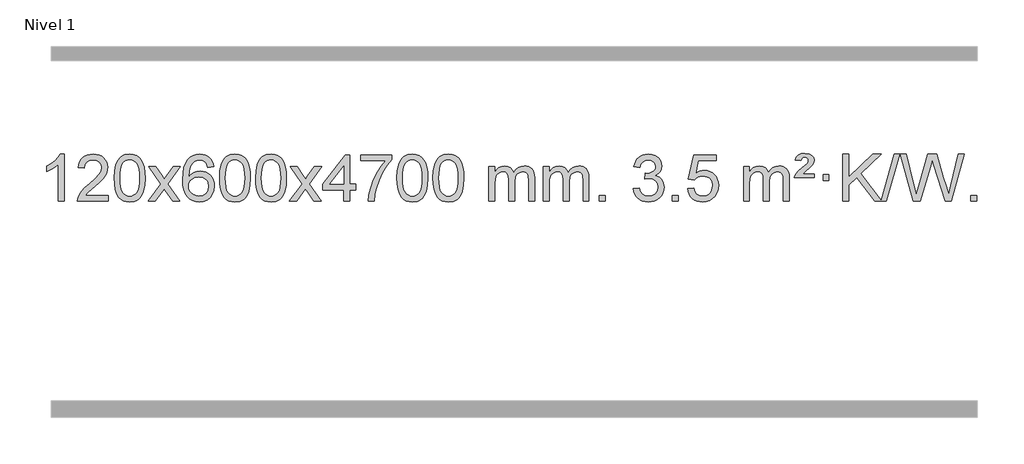
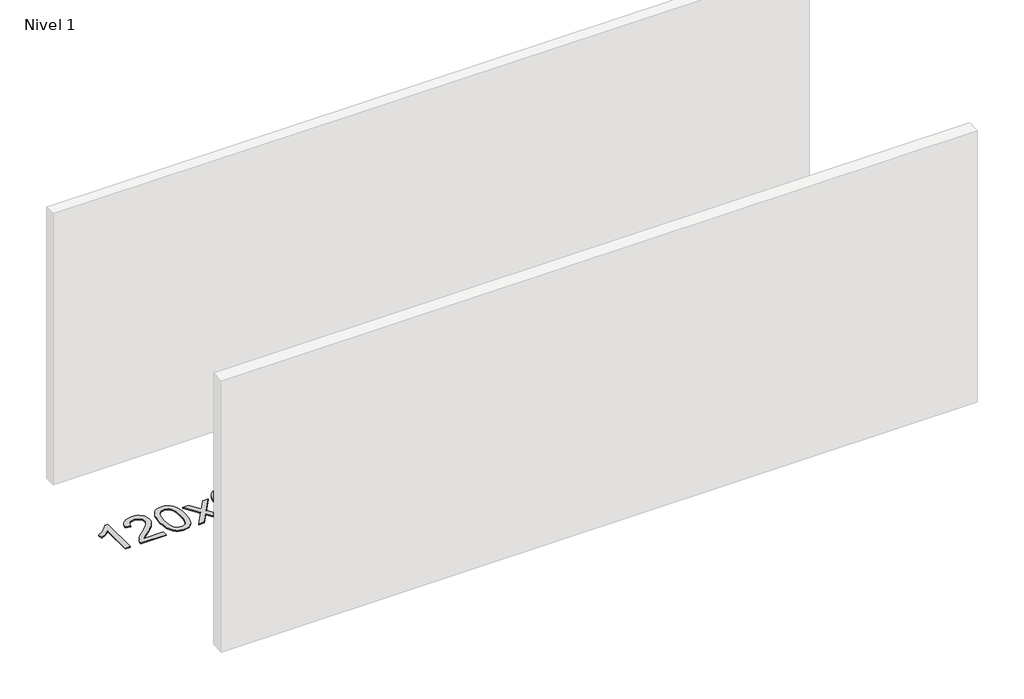
# One storey, part 3 of 16: 1 proxy.
"""IFC4 building model written with IfcOpenShell, lengths in millimetres."""

from ifc_helpers import new_model, si_unit, origin, origin_with_axes, place, context, project, spatial, polyline, outline, extrude, element, save

model = new_model("IFC4")

# Units and contexts
model_context = context("Model", 3, world=origin())
ifc_project = project(units=[si_unit("LENGTHUNIT", "METRE", prefix="MILLI")], contexts=[model_context])

# Site, building, storey
site = spatial("IfcSite", under=ifc_project)
building = spatial("IfcBuilding", under=site)
storey = spatial("IfcBuildingStorey", under=building, Name="Nivel 1", Elevation=0.0)

# Proxy
placement = place(None, origin())
element("IfcBuildingElementProxy", 1, Name="Texto de modelo 1", ObjectType="Texto de modelo 1", at=placement, inside=storey, context=model_context, shape_type="SweptSolid", body=[
    extrude(outline(polyline([(-12921.6378538, -12420.579453), (-12971.8660089, -12420.579453), (-12971.8660089, -12107.4382987), (-12992.8352826, -12124.3976587), (-13019.4454136, -12141.3324932), (-13072.3223191, -12166.6918254), (-13072.3223191, -12119.2105225), (-13032.8731065, -12097.7507395), (-12998.6968691, -12072.219729), (-12971.7556443, -12045.0700378), (-12954.0114694, -12018.7542124), (-12921.6378538, -12018.7542124), (-12921.6378538, -12420.579453)])), origin_with_axes(), (0.0, 0.0, 1.0), 10.0),
    extrude(outline(polyline([(-12544.9266908, -12370.3512979), (-12544.9266908, -12420.579453), (-12808.6245049, -12420.579453), (-12807.5208589, -12402.8965918), (-12803.2289023, -12385.9494945), (-12790.8435418, -12358.8856424), (-12772.7192222, -12332.6311307), (-12746.5014987, -12305.1503456), (-12709.8359265, -12274.4076736), (-12655.6346459, -12226.2641831), (-12623.1138775, -12190.7267824), (-12606.8534933, -12161.884834), (-12601.4333652, -12133.8277005), (-12606.546925, -12108.6768347), (-12621.8876042, -12087.7688747), (-12645.4688401, -12073.6789943), (-12675.3040699, -12068.9823675), (-12706.6353531, -12073.5686297), (-12730.9768785, -12087.3274163), (-12746.6854397, -12109.1796068), (-12752.1178305, -12138.0460807), (-12802.3459855, -12131.7675613), (-12798.0264378, -12105.838012), (-12790.1690915, -12083.1826125), (-12778.7739467, -12063.8013627), (-12763.8410034, -12047.6942627), (-12745.7136181, -12035.0329907), (-12724.7351473, -12025.989225), (-12700.9055911, -12020.5629655), (-12674.2249494, -12018.7542124), (-12647.3051844, -12020.7653006), (-12623.3468694, -12026.7985654), (-12602.3500046, -12036.8540066), (-12584.3145897, -12050.9316242), (-12569.8292362, -12067.9890861), (-12559.4825551, -12086.9840598), (-12553.2745464, -12107.9165453), (-12551.2052102, -12130.7865427), (-12553.4370276, -12154.8092369), (-12560.1324799, -12178.4149983), (-12572.0150684, -12202.4254299), (-12589.8082942, -12227.6621347), (-12618.171996, -12257.7916701), (-12661.7660125, -12296.4805933), (-12719.5480112, -12344.795762), (-12742.2095421, -12370.3512979), (-12544.9266908, -12370.3512979)])), origin_with_axes(), (0.0, 0.0, 1.0), 10.0),
    extrude(outline(polyline([(-12494.6985357, -12222.9041943), (-12491.007453, -12158.5861588), (-12479.934205, -12107.2911459), (-12461.5891561, -12068.2343407), (-12449.7310932, -12053.0009605), (-12436.0826711, -12040.6309284), (-12420.5979048, -12031.0598651), (-12403.230809, -12024.2233914), (-12362.8496286, -12018.7542124), (-12331.8984901, -12021.991574), (-12304.1847131, -12031.7036586), (-12281.0081474, -12047.5103217), (-12263.6686427, -12069.0314184), (-12250.5720437, -12096.0830078), (-12240.1241951, -12128.4811488), (-12233.2815899, -12169.6226186), (-12231.0007216, -12222.9041943), (-12234.6550161, -12286.8543477), (-12245.6178995, -12338.0267333), (-12263.8525837, -12377.1203266), (-12275.6830556, -12392.3996922), (-12289.3222805, -12404.8341036), (-12304.825441, -12414.4695462), (-12322.2477191, -12421.3520052), (-12362.8496286, -12426.8579724), (-12390.5143547, -12424.4667394), (-12415.039821, -12417.2930405), (-12436.4260277, -12405.3368757), (-12454.6729746, -12388.5982449), (-12472.1841576, -12358.3399508), (-12484.6921454, -12320.6381776), (-12492.1969381, -12275.4929255), (-12494.6985357, -12222.9041943)]), holes=[polyline([(-12444.4703806, -12222.8060924), (-12442.9988527, -12266.4706195), (-12438.5842687, -12301.8148822), (-12431.2266288, -12328.8388804), (-12420.9259329, -12347.5426142), (-12408.466996, -12360.2682656), (-12394.634633, -12369.3580165), (-12379.4288439, -12374.8118671), (-12362.8496286, -12376.6298173), (-12346.2704134, -12374.8057357), (-12331.0646243, -12369.3334911), (-12317.2322612, -12360.2130833), (-12304.7733243, -12347.4445124), (-12294.4726285, -12328.7101217), (-12287.1149886, -12301.6922549), (-12282.7004046, -12266.3909118), (-12281.2288766, -12222.8060924), (-12282.6513537, -12180.2973278), (-12286.9187848, -12145.5753989), (-12294.0311701, -12118.6403055), (-12303.9885094, -12099.4920476), (-12316.2389799, -12086.1440625), (-12330.2307584, -12076.6097875), (-12345.9638451, -12070.8892225), (-12363.4382398, -12068.9823675), (-12379.931616, -12070.6623619), (-12394.8798877, -12075.7023452), (-12408.283055, -12084.1023175), (-12420.141118, -12095.8622786), (-12430.7851704, -12116.708925), (-12438.388065, -12144.8151094), (-12442.9498017, -12180.1808319), (-12444.4703806, -12222.8060924)])]), origin_with_axes(), (0.0, 0.0, 1.0), 10.0),
    extrude(outline(polyline([(-12205.886644, -12420.579453), (-12098.5632033, -12272.2494325), (-12199.6081246, -12125.4890419), (-12139.1773756, -12125.4890419), (-12090.4207485, -12196.122385), (-12067.6611157, -12229.4770192), (-12047.9426408, -12202.2047007), (-11992.416985, -12125.4890419), (-11931.9862359, -12125.4890419), (-12038.1324542, -12272.2494325), (-11935.9103105, -12420.579453), (-11996.3410596, -12420.579453), (-12057.8509292, -12331.4048574), (-12069.1326437, -12315.1199477), (-12145.455895, -12420.579453), (-12205.886644, -12420.579453)])), origin_with_axes(), (0.0, 0.0, 1.0), 10.0),
    extrude(outline(polyline([(-11647.0984188, -12125.4890419), (-11697.3265739, -12131.7675613), (-11705.4199778, -12106.874213), (-11716.3583358, -12089.8780648), (-11739.142494, -12074.2062918), (-11766.6845927, -12068.9823675), (-11790.0328367, -12072.0235253), (-11812.0076545, -12081.1469988), (-11830.8800009, -12100.3627017), (-11846.2942565, -12126.8134171), (-11856.7053169, -12164.227016), (-11860.5680779, -12216.3313693), (-11840.4204073, -12192.8237098), (-11816.2750857, -12176.2567573), (-11789.4810137, -12166.434308), (-11761.387092, -12163.1601582), (-11737.2540331, -12165.398107), (-11714.9849097, -12172.1119534), (-11694.5797217, -12183.3016975), (-11676.0384691, -12198.9673391), (-11660.6303449, -12218.1769106), (-11649.6245419, -12239.9984443), (-11643.02106, -12264.4319401), (-11640.8198994, -12291.4773982), (-11644.9647033, -12327.4439945), (-11657.3991147, -12360.786366), (-11677.0930642, -12389.0642287), (-11703.0164821, -12409.8372987), (-11733.9921461, -12422.602804), (-11768.8428338, -12426.8579724), (-11798.7853625, -12424.0375437), (-11825.8277548, -12415.5762579), (-11849.9700107, -12401.4741147), (-11871.2121303, -12381.7311143), (-11888.5301752, -12355.5133908), (-11900.9002073, -12321.9870783), (-11908.3222266, -12281.1521768), (-11910.796233, -12233.0086864), (-11908.0493807, -12179.0342663), (-11899.808824, -12132.9693092), (-11886.0745629, -12094.8138149), (-11866.8465973, -12064.5677835), (-11846.0060823, -12044.5243462), (-11821.8423665, -12030.2076052), (-11794.3554501, -12021.6175606), (-11763.545333, -12018.7542124), (-11740.4116869, -12020.5261773), (-11719.47307, -12025.8420722), (-11700.7294824, -12034.7018969), (-11684.1809239, -12047.1056515), (-11670.2749845, -12062.6364031), (-11659.4592539, -12080.8772186), (-11651.733732, -12101.8280983), (-11647.0984188, -12125.4890419)]), holes=[polyline([(-11860.5680779, -12290.6925832), (-11857.6618101, -12312.9494439), (-11848.9430068, -12334.2007605), (-11835.4049494, -12352.472233), (-11818.0409193, -12365.7895612), (-11797.0839083, -12373.9197533), (-11772.7669084, -12376.6298173), (-11739.6207406, -12371.0134855), (-11725.7056041, -12363.9930708), (-11713.5624326, -12354.1644901), (-11703.7123922, -12341.9262824), (-11696.676649, -12327.6769865), (-11691.0480545, -12293.1451299), (-11696.6030726, -12259.9989621), (-11703.5468453, -12246.3781312), (-11713.268127, -12234.725469), (-11725.4480867, -12225.3904634), (-11739.7678934, -12218.7226022), (-11774.8270476, -12213.3883133), (-11807.9241644, -12218.7226022), (-11835.6011532, -12234.725469), (-11846.5241827, -12246.2248471), (-11854.3263467, -12259.3858254), (-11859.0076451, -12274.2084042), (-11860.5680779, -12290.6925832)])]), origin_with_axes(), (0.0, 0.0, 1.0), 10.0),
    extrude(outline(polyline([(-11596.8702638, -12222.9041943), (-11593.1791811, -12158.5861588), (-11582.105933, -12107.2911459), (-11563.7608842, -12068.2343407), (-11551.9028212, -12053.0009605), (-11538.2543992, -12040.6309284), (-11522.7696329, -12031.0598651), (-11505.402537, -12024.2233914), (-11465.0213567, -12018.7542124), (-11434.0702182, -12021.991574), (-11406.3564412, -12031.7036586), (-11383.1798755, -12047.5103217), (-11365.8403708, -12069.0314184), (-11352.7437718, -12096.0830078), (-11342.2959231, -12128.4811488), (-11335.453318, -12169.6226186), (-11333.1724496, -12222.9041943), (-11336.8267441, -12286.8543477), (-11347.7896275, -12338.0267333), (-11366.0243118, -12377.1203266), (-11377.8547836, -12392.3996922), (-11391.4940086, -12404.8341036), (-11406.997169, -12414.4695462), (-11424.4194471, -12421.3520052), (-11465.0213567, -12426.8579724), (-11492.6860827, -12424.4667394), (-11517.2115491, -12417.2930405), (-11538.5977557, -12405.3368757), (-11556.8447027, -12388.5982449), (-11574.3558856, -12358.3399508), (-11586.8638735, -12320.6381776), (-11594.3686662, -12275.4929255), (-11596.8702638, -12222.9041943)]), holes=[polyline([(-11546.6421087, -12222.8060924), (-11545.1705807, -12266.4706195), (-11540.7559968, -12301.8148822), (-11533.3983568, -12328.8388804), (-11523.097661, -12347.5426142), (-11510.6387241, -12360.2682656), (-11496.8063611, -12369.3580165), (-11481.6005719, -12374.8118671), (-11465.0213567, -12376.6298173), (-11448.4421414, -12374.8057357), (-11433.2363523, -12369.3334911), (-11419.4039893, -12360.2130833), (-11406.9450524, -12347.4445124), (-11396.6443565, -12328.7101217), (-11389.2867166, -12301.6922549), (-11384.8721327, -12266.3909118), (-11383.4006047, -12222.8060924), (-11384.8230817, -12180.2973278), (-11389.0905129, -12145.5753989), (-11396.2028981, -12118.6403055), (-11406.1602375, -12099.4920476), (-11418.4107079, -12086.1440625), (-11432.4024864, -12076.6097875), (-11448.1355731, -12070.8892225), (-11465.6099679, -12068.9823675), (-11482.103344, -12070.6623619), (-11497.0516157, -12075.7023452), (-11510.4547831, -12084.1023175), (-11522.3128461, -12095.8622786), (-11532.9568985, -12116.708925), (-11540.559793, -12144.8151094), (-11545.1215298, -12180.1808319), (-11546.6421087, -12222.8060924)])]), origin_with_axes(), (0.0, 0.0, 1.0), 10.0),
    extrude(outline(polyline([(-11289.2228139, -12222.9041943), (-11285.5317312, -12158.5861588), (-11274.4584832, -12107.2911459), (-11256.1134344, -12068.2343407), (-11244.2553714, -12053.0009605), (-11230.6069494, -12040.6309284), (-11215.122183, -12031.0598651), (-11197.7550872, -12024.2233914), (-11157.3739068, -12018.7542124), (-11126.4227683, -12021.991574), (-11098.7089913, -12031.7036586), (-11075.5324257, -12047.5103217), (-11058.1929209, -12069.0314184), (-11045.0963219, -12096.0830078), (-11034.6484733, -12128.4811488), (-11027.8058681, -12169.6226186), (-11025.5249998, -12222.9041943), (-11029.1792943, -12286.8543477), (-11040.1421777, -12338.0267333), (-11058.3768619, -12377.1203266), (-11070.2073338, -12392.3996922), (-11083.8465587, -12404.8341036), (-11099.3497192, -12414.4695462), (-11116.7719973, -12421.3520052), (-11157.3739068, -12426.8579724), (-11185.0386329, -12424.4667394), (-11209.5640992, -12417.2930405), (-11230.9503059, -12405.3368757), (-11249.1972528, -12388.5982449), (-11266.7084358, -12358.3399508), (-11279.2164236, -12320.6381776), (-11286.7212164, -12275.4929255), (-11289.2228139, -12222.9041943)]), holes=[polyline([(-11238.9946588, -12222.8060924), (-11237.5231309, -12266.4706195), (-11233.1085469, -12301.8148822), (-11225.750907, -12328.8388804), (-11215.4502112, -12347.5426142), (-11202.9912742, -12360.2682656), (-11189.1589112, -12369.3580165), (-11173.9531221, -12374.8118671), (-11157.3739068, -12376.6298173), (-11140.7946916, -12374.8057357), (-11125.5889025, -12369.3334911), (-11111.7565394, -12360.2130833), (-11099.2976025, -12347.4445124), (-11088.9969067, -12328.7101217), (-11081.6392668, -12301.6922549), (-11077.2246828, -12266.3909118), (-11075.7531548, -12222.8060924), (-11077.1756319, -12180.2973278), (-11081.443063, -12145.5753989), (-11088.5554483, -12118.6403055), (-11098.5127876, -12099.4920476), (-11110.7632581, -12086.1440625), (-11124.7550366, -12076.6097875), (-11140.4881233, -12070.8892225), (-11157.962518, -12068.9823675), (-11174.4558942, -12070.6623619), (-11189.4041659, -12075.7023452), (-11202.8073333, -12084.1023175), (-11214.6653962, -12095.8622786), (-11225.3094486, -12116.708925), (-11232.9123432, -12144.8151094), (-11237.4740799, -12180.1808319), (-11238.9946588, -12222.8060924)])]), origin_with_axes(), (0.0, 0.0, 1.0), 10.0),
    extrude(outline(polyline([(-11000.4109222, -12420.579453), (-10893.0874815, -12272.2494325), (-10994.1324029, -12125.4890419), (-10933.7016538, -12125.4890419), (-10884.9450267, -12196.122385), (-10862.1853939, -12229.4770192), (-10842.466919, -12202.2047007), (-10786.9412632, -12125.4890419), (-10726.5105141, -12125.4890419), (-10832.6567324, -12272.2494325), (-10730.4345887, -12420.579453), (-10790.8653378, -12420.579453), (-10852.3752074, -12331.4048574), (-10863.6569219, -12315.1199477), (-10939.9801732, -12420.579453), (-11000.4109222, -12420.579453)])), origin_with_axes(), (0.0, 0.0, 1.0), 10.0),
    extrude(outline(polyline([(-10535.8004878, -12420.579453), (-10535.8004878, -12326.4016622), (-10717.8775499, -12326.4016622), (-10717.8775499, -12276.1735072), (-10523.243449, -12025.0327318), (-10485.5723327, -12025.0327318), (-10485.5723327, -12276.1735072), (-10435.3441776, -12276.1735072), (-10435.3441776, -12326.4016622), (-10485.5723327, -12326.4016622), (-10485.5723327, -12420.579453), (-10535.8004878, -12420.579453)]), holes=[polyline([(-10535.8004878, -12276.1735072), (-10535.8004878, -12120.9763561), (-10656.0733748, -12276.1735072), (-10535.8004878, -12276.1735072)])]), origin_with_axes(), (0.0, 0.0, 1.0), 10.0),
    extrude(outline(polyline([(-10391.394542, -12075.2608869), (-10391.394542, -12025.0327318), (-10127.6967278, -12025.0327318), (-10127.6967278, -12065.646904), (-10165.282005, -12113.214046), (-10202.4994002, -12173.7061088), (-10235.3267369, -12241.6048623), (-10259.7418386, -12311.3920768), (-10271.7102662, -12363.6067947), (-10278.381193, -12420.579453), (-10328.6093481, -12420.579453), (-10323.1769573, -12368.8061935), (-10308.6456185, -12307.2717985), (-10285.4077391, -12242.0463207), (-10253.8557267, -12179.1998132), (-10217.0184762, -12122.3865704), (-10177.9248829, -12075.2608869), (-10391.394542, -12075.2608869)])), origin_with_axes(), (0.0, 0.0, 1.0), 10.0),
    extrude(outline(polyline([(-10083.7470921, -12222.9041943), (-10080.0560094, -12158.5861588), (-10068.9827614, -12107.2911459), (-10050.6377126, -12068.2343407), (-10038.7796496, -12053.0009605), (-10025.1312276, -12040.6309284), (-10009.6464612, -12031.0598651), (-9992.2793654, -12024.2233914), (-9951.8981851, -12018.7542124), (-9920.9470465, -12021.991574), (-9893.2332696, -12031.7036586), (-9870.0567039, -12047.5103217), (-9852.7171992, -12069.0314184), (-9839.6206001, -12096.0830078), (-9829.1727515, -12128.4811488), (-9822.3301463, -12169.6226186), (-9820.049278, -12222.9041943), (-9823.7035725, -12286.8543477), (-9834.6664559, -12338.0267333), (-9852.9011401, -12377.1203266), (-9864.731612, -12392.3996922), (-9878.3708369, -12404.8341036), (-9893.8739974, -12414.4695462), (-9911.2962755, -12421.3520052), (-9951.8981851, -12426.8579724), (-9979.5629111, -12424.4667394), (-10004.0883774, -12417.2930405), (-10025.4745841, -12405.3368757), (-10043.721531, -12388.5982449), (-10061.232714, -12358.3399508), (-10073.7407019, -12320.6381776), (-10081.2454946, -12275.4929255), (-10083.7470921, -12222.9041943)]), holes=[polyline([(-10033.518937, -12222.8060924), (-10032.0474091, -12266.4706195), (-10027.6328251, -12301.8148822), (-10020.2751852, -12328.8388804), (-10009.9744894, -12347.5426142), (-9997.5155525, -12360.2682656), (-9983.6831894, -12369.3580165), (-9968.4774003, -12374.8118671), (-9951.8981851, -12376.6298173), (-9935.3189698, -12374.8057357), (-9920.1131807, -12369.3334911), (-9906.2808176, -12360.2130833), (-9893.8218807, -12347.4445124), (-9883.5211849, -12328.7101217), (-9876.163545, -12301.6922549), (-9871.748961, -12266.3909118), (-9870.2774331, -12222.8060924), (-9871.6999101, -12180.2973278), (-9875.9673412, -12145.5753989), (-9883.0797265, -12118.6403055), (-9893.0370658, -12099.4920476), (-9905.2875363, -12086.1440625), (-9919.2793148, -12076.6097875), (-9935.0124015, -12070.8892225), (-9952.4867962, -12068.9823675), (-9968.9801724, -12070.6623619), (-9983.9284441, -12075.7023452), (-9997.3316115, -12084.1023175), (-10009.1896744, -12095.8622786), (-10019.8337268, -12116.708925), (-10027.4366214, -12144.8151094), (-10031.9983581, -12180.1808319), (-10033.518937, -12222.8060924)])]), origin_with_axes(), (0.0, 0.0, 1.0), 10.0),
    extrude(outline(polyline([(-9776.0996423, -12222.9041943), (-9772.4085596, -12158.5861588), (-9761.3353115, -12107.2911459), (-9742.9902627, -12068.2343407), (-9731.1321997, -12053.0009605), (-9717.4837777, -12040.6309284), (-9701.9990114, -12031.0598651), (-9684.6319156, -12024.2233914), (-9644.2507352, -12018.7542124), (-9613.2995967, -12021.991574), (-9585.5858197, -12031.7036586), (-9562.409254, -12047.5103217), (-9545.0697493, -12069.0314184), (-9531.9731503, -12096.0830078), (-9521.5253016, -12128.4811488), (-9514.6826965, -12169.6226186), (-9512.4018281, -12222.9041943), (-9516.0561226, -12286.8543477), (-9527.0190061, -12338.0267333), (-9545.2536903, -12377.1203266), (-9557.0841621, -12392.3996922), (-9570.7233871, -12404.8341036), (-9586.2265475, -12414.4695462), (-9603.6488257, -12421.3520052), (-9644.2507352, -12426.8579724), (-9671.9154613, -12424.4667394), (-9696.4409276, -12417.2930405), (-9717.8271343, -12405.3368757), (-9736.0740812, -12388.5982449), (-9753.5852642, -12358.3399508), (-9766.093252, -12320.6381776), (-9773.5980447, -12275.4929255), (-9776.0996423, -12222.9041943)]), holes=[polyline([(-9725.8714872, -12222.8060924), (-9724.3999592, -12266.4706195), (-9719.9853753, -12301.8148822), (-9712.6277354, -12328.8388804), (-9702.3270395, -12347.5426142), (-9689.8681026, -12360.2682656), (-9676.0357396, -12369.3580165), (-9660.8299505, -12374.8118671), (-9644.2507352, -12376.6298173), (-9627.67152, -12374.8057357), (-9612.4657308, -12369.3334911), (-9598.6333678, -12360.2130833), (-9586.1744309, -12347.4445124), (-9575.873735, -12328.7101217), (-9568.5160951, -12301.6922549), (-9564.1015112, -12266.3909118), (-9562.6299832, -12222.8060924), (-9564.0524603, -12180.2973278), (-9568.3198914, -12145.5753989), (-9575.4322767, -12118.6403055), (-9585.389616, -12099.4920476), (-9597.6400864, -12086.1440625), (-9611.631865, -12076.6097875), (-9627.3649516, -12070.8892225), (-9644.8393464, -12068.9823675), (-9661.3327225, -12070.6623619), (-9676.2809943, -12075.7023452), (-9689.6841616, -12084.1023175), (-9701.5422246, -12095.8622786), (-9712.186277, -12116.708925), (-9719.7891716, -12144.8151094), (-9724.3509083, -12180.1808319), (-9725.8714872, -12222.8060924)])]), origin_with_axes(), (0.0, 0.0, 1.0), 10.0),
    extrude(outline(polyline([(-9298.9321691, -12420.579453), (-9298.9321691, -12125.4890419), (-9248.704014, -12125.4890419), (-9248.704014, -12174.0494653), (-9233.5963267, -12151.7435537), (-9214.1721574, -12134.2691589), (-9191.0936936, -12122.9751816), (-9165.0231228, -12119.2105225), (-9137.0886167, -12123.048758), (-9114.6968659, -12134.5634645), (-9097.9704978, -12152.9943524), (-9087.0321399, -12177.5811324), (-9068.7238792, -12152.0439906), (-9047.8404446, -12133.803175), (-9024.3818361, -12122.8586857), (-8998.3480536, -12119.2105225), (-8978.2402368, -12120.7280358), (-8960.5910981, -12125.2805755), (-8945.4006374, -12132.8681416), (-8932.6688547, -12143.4907342), (-8922.6042164, -12157.2709806), (-8915.4151891, -12174.3315082), (-8911.1017727, -12194.6723168), (-8909.6639672, -12218.2934066), (-8909.6639672, -12420.579453), (-8959.8921223, -12420.579453), (-8959.8921223, -12239.875817), (-8961.057082, -12214.8230531), (-8964.5519609, -12197.9372695), (-8971.1002604, -12186.3735121), (-8981.4254818, -12177.2868268), (-8994.7060218, -12171.4007149), (-9010.1202774, -12169.4386776), (-9037.3312823, -12174.4663982), (-9059.5145666, -12189.54956), (-9068.1199396, -12201.1194488), (-9074.2666346, -12215.7182326), (-9079.1839906, -12254.0024856), (-9079.1839906, -12420.579453), (-9129.4121457, -12420.579453), (-9129.4121457, -12234.2840106), (-9132.3184135, -12205.8835206), (-9141.0372167, -12185.6254854), (-9156.3778959, -12173.4853796), (-9179.1497914, -12169.4386776), (-9198.5003844, -12172.1364789), (-9216.3303984, -12180.2298828), (-9231.0456782, -12193.5226856), (-9241.0520685, -12211.8186835), (-9246.7910276, -12237.2025411), (-9248.704014, -12271.7589232), (-9248.704014, -12420.579453), (-9298.9321691, -12420.579453)])), origin_with_axes(), (0.0, 0.0, 1.0), 10.0),
    extrude(outline(polyline([(-8834.3217346, -12420.579453), (-8834.3217346, -12125.4890419), (-8784.0935796, -12125.4890419), (-8784.0935796, -12174.0494653), (-8768.9858923, -12151.7435537), (-8749.5617229, -12134.2691589), (-8726.4832591, -12122.9751816), (-8700.4126884, -12119.2105225), (-8672.4781822, -12123.048758), (-8650.0864315, -12134.5634645), (-8633.3600634, -12152.9943524), (-8622.4217054, -12177.5811324), (-8604.1134448, -12152.0439906), (-8583.2300102, -12133.803175), (-8559.7714016, -12122.8586857), (-8533.7376191, -12119.2105225), (-8513.6298024, -12120.7280358), (-8495.9806637, -12125.2805755), (-8480.790203, -12132.8681416), (-8468.0584202, -12143.4907342), (-8457.993782, -12157.2709806), (-8450.8047547, -12174.3315082), (-8446.4913383, -12194.6723168), (-8445.0535328, -12218.2934066), (-8445.0535328, -12420.579453), (-8495.2816879, -12420.579453), (-8495.2816879, -12239.875817), (-8496.4466475, -12214.8230531), (-8499.9415265, -12197.9372695), (-8506.489826, -12186.3735121), (-8516.8150473, -12177.2868268), (-8530.0955874, -12171.4007149), (-8545.509843, -12169.4386776), (-8572.7208479, -12174.4663982), (-8594.9041322, -12189.54956), (-8603.5095052, -12201.1194488), (-8609.6562002, -12215.7182326), (-8614.5735562, -12254.0024856), (-8614.5735562, -12420.579453), (-8664.8017113, -12420.579453), (-8664.8017113, -12234.2840106), (-8667.707979, -12205.8835206), (-8676.4267823, -12185.6254854), (-8691.7674615, -12173.4853796), (-8714.539357, -12169.4386776), (-8733.88995, -12172.1364789), (-8751.719964, -12180.2298828), (-8766.4352438, -12193.5226856), (-8776.4416341, -12211.8186835), (-8782.1805932, -12237.2025411), (-8784.0935796, -12271.7589232), (-8784.0935796, -12420.579453), (-8834.3217346, -12420.579453)])), origin_with_axes(), (0.0, 0.0, 1.0), 10.0),
    extrude(outline(polyline([(-8357.1542614, -12420.579453), (-8357.1542614, -12370.3512979), (-8306.9261064, -12370.3512979), (-8306.9261064, -12420.579453), (-8357.1542614, -12420.579453)])), origin_with_axes(), (0.0, 0.0, 1.0), 10.0),
    extrude(outline(polyline([(-8068.3423697, -12313.8446235), (-8018.1142147, -12307.5661041), (-8006.8692884, -12339.1303793), (-7990.4004377, -12360.4430095), (-7967.8983223, -12372.5831154), (-7938.5536018, -12376.6298173), (-7904.1198471, -12371.0625364), (-7889.8460257, -12364.1034354), (-7877.5342416, -12354.3606939), (-7860.5380934, -12329.4428201), (-7854.8727107, -12299.2274455), (-7860.4890425, -12270.5449126), (-7877.3380379, -12247.2825078), (-7902.8445228, -12231.8682522), (-7934.4333235, -12226.730167), (-7969.6518932, -12232.2238715), (-7964.0600868, -12181.9957164), (-7956.0157339, -12182.5843276), (-7925.9229867, -12178.979084), (-7899.0185501, -12168.1633534), (-7887.945302, -12159.9841103), (-7880.0358391, -12149.8673555), (-7875.2901614, -12137.8130888), (-7873.7082688, -12123.8213102), (-7878.294531, -12102.1285352), (-7892.0533177, -12084.5315131), (-7913.0471168, -12072.8696539), (-7939.3384168, -12068.9823675), (-7965.6787676, -12072.9064421), (-7987.2121271, -12084.6786659), (-8002.932951, -12104.299039), (-8011.8356953, -12131.7675613), (-8062.0638504, -12125.4890419), (-8056.1102934, -12101.5092672), (-8047.2749942, -12080.3867093), (-8035.5579526, -12062.1213683), (-8020.9591688, -12046.713244), (-8003.9384951, -12034.4811677), (-7984.9557842, -12025.7439703), (-7964.0110359, -12020.5016519), (-7941.1042503, -12018.7542124), (-7909.5277124, -12022.2000404), (-7880.5263485, -12032.5375245), (-7856.0744585, -12048.8469596), (-7838.1463426, -12070.2086408), (-7827.146671, -12094.8199463), (-7823.4801138, -12120.8782543), (-7826.96273, -12145.1584659), (-7837.4105786, -12167.1823347), (-7854.6765069, -12185.9443165), (-7878.6133621, -12200.4388671), (-7847.1717142, -12213.1430586), (-7823.8725212, -12234.77452), (-7809.451547, -12264.1560286), (-7804.6445556, -12300.1103623), (-7807.0480513, -12325.5923218), (-7814.2585384, -12349.0631931), (-7826.2760169, -12370.5229762), (-7843.1004868, -12389.971671), (-7863.5976453, -12406.1094278), (-7886.6331896, -12417.636397), (-7912.2071196, -12424.5525785), (-7940.3194354, -12426.8579724), (-7965.7278186, -12424.8898037), (-7988.8798588, -12418.9852977), (-8009.7755561, -12409.1444543), (-8028.4149105, -12395.3672736), (-8044.043764, -12378.4630959), (-8055.9079583, -12359.2412617), (-8064.0074936, -12337.7017708), (-8068.3423697, -12313.8446235)])), origin_with_axes(), (0.0, 0.0, 1.0), 10.0),
    extrude(outline(polyline([(-7735.5808424, -12420.579453), (-7735.5808424, -12370.3512979), (-7685.3526873, -12370.3512979), (-7685.3526873, -12420.579453), (-7735.5808424, -12420.579453)])), origin_with_axes(), (0.0, 0.0, 1.0), 10.0),
    extrude(outline(polyline([(-7603.7319353, -12313.8446235), (-7553.5037802, -12307.5661041), (-7544.2822049, -12337.7201649), (-7528.193499, -12359.3148381), (-7505.3112389, -12372.3010725), (-7475.709001, -12376.6298173), (-7456.5791372, -12375.1245668), (-7439.7056164, -12370.6088153), (-7425.0884384, -12363.0825628), (-7412.7276034, -12352.5458094), (-7402.8990228, -12339.519721), (-7395.878608, -12324.5254641), (-7390.2622762, -12288.6324441), (-7395.5229888, -12254.8363514), (-7402.0988794, -12240.9181493), (-7411.3051264, -12228.9865099), (-7423.1723864, -12219.4154467), (-7437.7313163, -12212.5789729), (-7474.9241861, -12207.1097939), (-7499.2902369, -12209.2925604), (-7519.0209745, -12215.8408599), (-7534.7785867, -12225.8717757), (-7547.2252608, -12238.5023908), (-7597.4534159, -12232.2238715), (-7553.5037802, -12025.0327318), (-7358.8696793, -12025.0327318), (-7358.8696793, -12075.2608869), (-7512.889608, -12075.2608869), (-7534.3739165, -12185.919791), (-7516.6481357, -12173.2155994), (-7498.4931592, -12164.1411769), (-7479.9089871, -12158.6965234), (-7460.8956193, -12156.8816388), (-7436.4345323, -12159.1318504), (-7413.9661395, -12165.882485), (-7393.4904407, -12177.1335427), (-7375.0074362, -12192.8850234), (-7359.7066109, -12212.1743027), (-7348.7774499, -12234.038756), (-7342.2199533, -12258.4783832), (-7340.0341212, -12285.4931844), (-7342.0022898, -12311.5147042), (-7347.9067959, -12335.7213394), (-7357.7476392, -12358.1130902), (-7371.5248199, -12378.6899565), (-7392.3959918, -12399.7634634), (-7416.7497799, -12414.8159684), (-7444.5861842, -12423.8474714), (-7475.9052047, -12426.8579724), (-7501.825557, -12424.9235262), (-7525.2381803, -12419.1201877), (-7546.1430746, -12409.447957), (-7564.5402401, -12395.9068338), (-7579.8471968, -12379.1712688), (-7591.4814649, -12359.915712), (-7599.4430444, -12338.1401636), (-7603.7319353, -12313.8446235)])), origin_with_axes(), (0.0, 0.0, 1.0), 10.0),
    extrude(outline(polyline([(-7126.5644621, -12420.579453), (-7126.5644621, -12125.4890419), (-7076.336307, -12125.4890419), (-7076.336307, -12174.0494653), (-7061.2286197, -12151.7435537), (-7041.8044504, -12134.2691589), (-7018.7259866, -12122.9751816), (-6992.6554158, -12119.2105225), (-6964.7209097, -12123.048758), (-6942.3291589, -12134.5634645), (-6925.6027909, -12152.9943524), (-6914.6644329, -12177.5811324), (-6896.3561722, -12152.0439906), (-6875.4727377, -12133.803175), (-6852.0141291, -12122.8586857), (-6825.9803466, -12119.2105225), (-6805.8725298, -12120.7280358), (-6788.2233911, -12125.2805755), (-6773.0329304, -12132.8681416), (-6760.3011477, -12143.4907342), (-6750.2365094, -12157.2709806), (-6743.0474821, -12174.3315082), (-6738.7340657, -12194.6723168), (-6737.2962603, -12218.2934066), (-6737.2962603, -12420.579453), (-6787.5244153, -12420.579453), (-6787.5244153, -12239.875817), (-6788.689375, -12214.8230531), (-6792.1842539, -12197.9372695), (-6798.7325535, -12186.3735121), (-6809.0577748, -12177.2868268), (-6822.3383148, -12171.4007149), (-6837.7525704, -12169.4386776), (-6864.9635753, -12174.4663982), (-6887.1468596, -12189.54956), (-6895.7522326, -12201.1194488), (-6901.8989276, -12215.7182326), (-6906.8162836, -12254.0024856), (-6906.8162836, -12420.579453), (-6957.0444387, -12420.579453), (-6957.0444387, -12234.2840106), (-6959.9507065, -12205.8835206), (-6968.6695098, -12185.6254854), (-6984.010189, -12173.4853796), (-7006.7820845, -12169.4386776), (-7026.1326774, -12172.1364789), (-7043.9626914, -12180.2298828), (-7058.6779713, -12193.5226856), (-7068.6843615, -12211.8186835), (-7074.4233206, -12237.2025411), (-7076.336307, -12271.7589232), (-7076.336307, -12420.579453), (-7126.5644621, -12420.579453)])), origin_with_axes(), (0.0, 0.0, 1.0), 10.0),
    extrude(outline(polyline([(-6693.3466246, -12219.6668327), (-6689.5206518, -12203.8479069), (-6681.1819933, -12187.9799302), (-6659.6731593, -12162.8413272), (-6627.7164766, -12135.1030247), (-6583.5706372, -12097.726214), (-6576.4337265, -12086.1992448), (-6574.0547563, -12074.3779701), (-6575.9432172, -12062.2869152), (-6581.6085999, -12052.5012541), (-6590.977328, -12046.026531), (-6603.9758252, -12043.8682899), (-6616.4102366, -12045.4869707), (-6625.26393, -12050.343013), (-6631.6896022, -12059.8098431), (-6636.8399501, -12075.2608869), (-6687.0681052, -12068.9823675), (-6676.2278491, -12043.7701881), (-6659.5995829, -12026.2099542), (-6635.834406, -12015.9092583), (-6603.5834178, -12012.475693), (-6567.8007624, -12016.6082341), (-6543.0545668, -12029.0058573), (-6528.6335926, -12047.3386434), (-6523.8266012, -12069.2766731), (-6527.9223541, -12092.1834586), (-6540.2096127, -12113.8149199), (-6560.737428, -12133.6314968), (-6597.2067965, -12161.6886303), (-6622.8113834, -12188.2742358), (-6523.8266012, -12188.2742358), (-6523.8266012, -12219.6668327), (-6693.3466246, -12219.6668327)])), origin_with_axes(), (0.0, 0.0, 1.0), 10.0),
    extrude(outline(polyline([(-6448.4843686, -12244.7809102), (-6448.4843686, -12194.5527552), (-6398.2562135, -12194.5527552), (-6398.2562135, -12244.7809102), (-6448.4843686, -12244.7809102)])), origin_with_axes(), (0.0, 0.0, 1.0), 10.0),
    extrude(outline(polyline([(-6007.6145856, -12420.579453), (-6161.045903, -12217.9009991), (-6228.7361901, -12282.4520265), (-6228.7361901, -12420.579453), (-6278.9643452, -12420.579453), (-6278.9643452, -12018.7542124), (-6228.7361901, -12018.7542124), (-6228.7361901, -12215.4484525), (-6022.7222728, -12018.7542124), (-5952.4813372, -12018.7542124), (-6125.4349259, -12183.9577537), (-5950.781316, -12414.5349332), (-5839.4679883, -12018.7542124), (-5794.1449265, -12018.7542124), (-5907.1582754, -12420.579453), (-5946.2028178, -12420.579453), (-5952.4813372, -12420.579453), (-6007.6145856, -12420.579453)])), origin_with_axes(), (0.0, 0.0, 1.0), 10.0),
    extrude(outline(polyline([(-5679.6600496, -12420.579453), (-5789.2398332, -12018.7542124), (-5737.4420483, -12018.7542124), (-5673.8720395, -12282.844434), (-5654.2516665, -12364.3670841), (-5633.2578673, -12292.2622131), (-5553.5991526, -12018.7542124), (-5478.943633, -12018.7542124), (-5421.0635325, -12217.0180823), (-5396.268286, -12290.5944814), (-5377.9968136, -12364.3670841), (-5358.9650517, -12285.1988788), (-5294.8064317, -12018.7542124), (-5243.0086468, -12018.7542124), (-5352.6865323, -12420.579453), (-5406.3482526, -12420.579453), (-5502.6842845, -12110.5775584), (-5516.12424, -12067.3146358), (-5531.2319273, -12119.4067263), (-5619.0330968, -12420.579453), (-5679.6600496, -12420.579453)])), origin_with_axes(), (0.0, 0.0, 1.0), 10.0),
    extrude(outline(polyline([(-5186.5019723, -12420.579453), (-5186.5019723, -12370.3512979), (-5136.2738173, -12370.3512979), (-5136.2738173, -12420.579453), (-5186.5019723, -12420.579453)])), origin_with_axes(), (0.0, 0.0, 1.0), 10.0),
])

save(model, "model.ifc")
